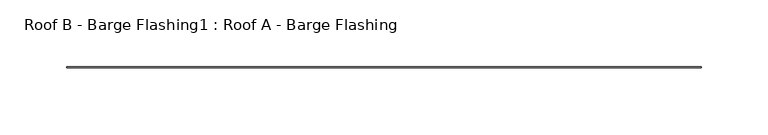
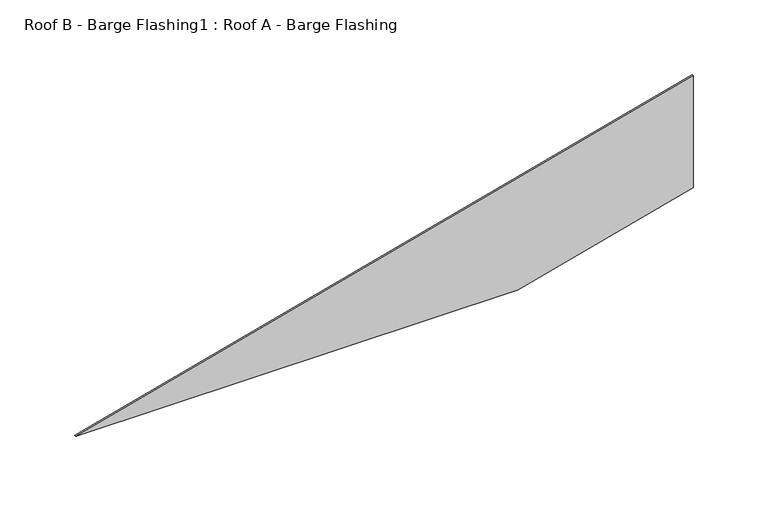
"""IFC4 building model written with IfcOpenShell, lengths in millimetres: proxy geometry, Roof B - Barge Flashing1 : Roof A - Barge Flashing."""

from ifc_helpers import new_model, si_unit, frame, origin, place, context, project, spatial, polyline, outline, extrude, source, transform, mapped, element, save


def roof_b_barge_flashing1_roof_a_barge_flashing_02214388(model_context):
    return source(origin(), model_context, "Body", "SweptSolid", [
        extrude(outline(polyline([(3184.2197316, 12266.4883036), (3275.6605003, 12266.4883036), (3147.9403306, 11789.8301411), (3147.9403306, 12131.0917356), (3184.2197316, 12266.4883036)])), frame((0.0, 8990.5950844, 0.0), z_axis=(0.0, 1.0, 0.0), x_axis=(0.0, 0.0, 1.0)), (0.0, 0.0, 1.0), 1.0),
    ])


if __name__ == "__main__":
    model = new_model("IFC4")
    model_context = context("Model", 3, world=origin())
    ifc_project = project(units=[si_unit("LENGTHUNIT", "METRE", prefix="MILLI")], contexts=[model_context])
    site = spatial("IfcSite", under=ifc_project)
    building = spatial("IfcBuilding", under=site)
    placement = place(None, origin())
    roof_b_barge_flashing1_roof_a_barge_flashing_shape = roof_b_barge_flashing1_roof_a_barge_flashing_02214388(model_context)
    element("IfcBuildingElementProxy", 1, Name="Roof B - Barge Flashing1 : Roof A - Barge Flashing", ObjectType="Roof B - Barge Flashing1 : Roof A - Barge Flashing", at=placement, inside=building, context=model_context, shape_type="MappedRepresentation", body=[
        mapped(roof_b_barge_flashing1_roof_a_barge_flashing_shape, transform((0.0, 0.0, 0.0), x_axis=(1.0, 0.0, 0.0), y_axis=(0.0, 1.0, 0.0), z_axis=(0.0, 0.0, 1.0))),
    ])
    save(model, "model.ifc")
